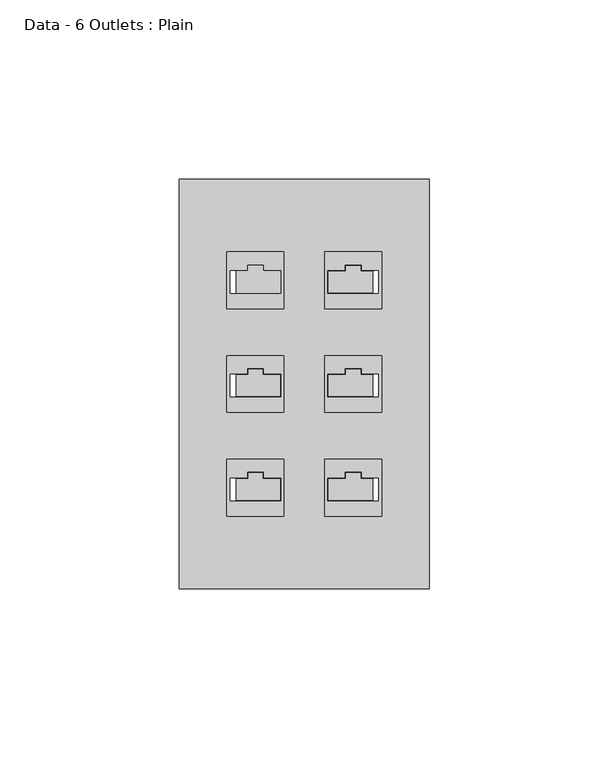
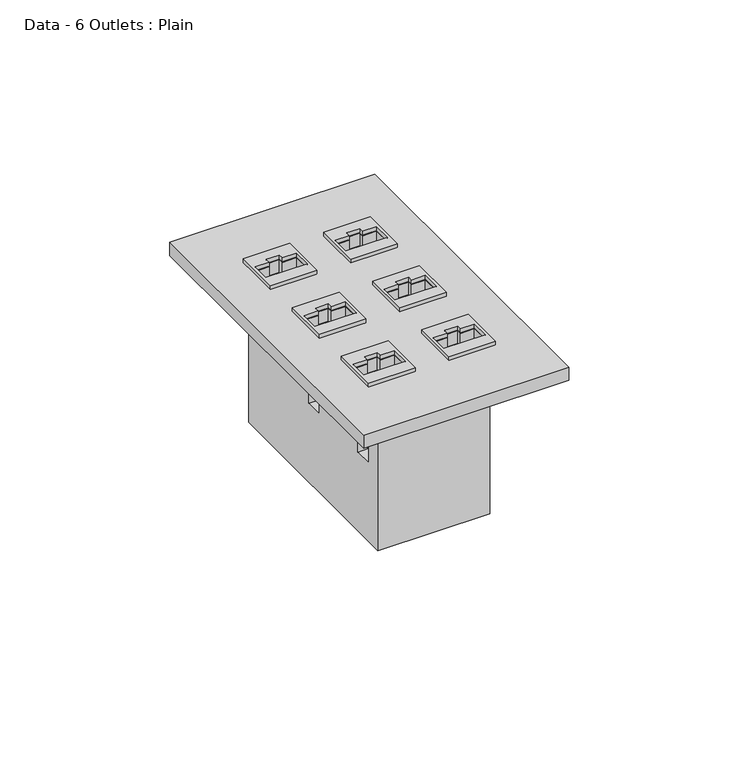
"""IFC4 building model written with IfcOpenShell, lengths in millimetres: electric appliance geometry, Data - 6 Outlets : Plain."""

import ifcopenshell
import ifcopenshell.guid

model = None  # the IFC model being written
_history = None  # IfcOwnerHistory: only IFC2X3 demands one
_inside = {}  # id of a spatial element -> (the spatial element, [elements in it])
_under = {}  # id of a project, library or spatial element -> (it, [spatial elements below it])
_declared = {}  # id of a project -> (the project, [libraries it declares])
_typed = {}  # id of a type object -> (the type object, [elements of that type])
_made_of = {}  # id of a material, layer set ... -> (it, [elements and type objects made of it])


def new_model(schema):
    """Start an empty IFC model of exactly this schema.

    Asked for "IFC4X3", IfcOpenShell would pick the latest addendum, in which some entities
    have other attributes; the version numbers below select the first issue.
    IFC2X3 requires an IfcOwnerHistory on every rooted entity: one is made here for all.
    """
    global model, _history
    if schema == "IFC4X3":
        model = ifcopenshell.file(schema_version=(4, 3, 0, 0))
    else:
        model = ifcopenshell.file(schema=schema)
    _inside.clear()
    _under.clear()
    _declared.clear()
    _typed.clear()
    _made_of.clear()
    _history = None
    if model.schema == "IFC2X3":
        org = make("IfcOrganization", Name="unknown")
        user = make(
            "IfcPersonAndOrganization",
            ThePerson=make("IfcPerson", FamilyName="unknown"),
            TheOrganization=org,
        )
        app = make(
            "IfcApplication",
            ApplicationDeveloper=org,
            Version="unknown",
            ApplicationFullName="unknown",
            ApplicationIdentifier="unknown",
        )
        _history = make(
            "IfcOwnerHistory",
            OwningUser=user,
            OwningApplication=app,
            ChangeAction="ADDED",
            CreationDate=0,
        )
    return model


def make(cls, **values):
    """One entity of the class cls with the attributes given. An attribute that is None is left unset."""
    return model.create_entity(
        cls, **{name: value for name, value in values.items() if value is not None}
    )


def rooted(cls, **values):
    """An entity with a GlobalId (a new one), such as an element, a storey or a relation."""
    return make(cls, GlobalId=ifcopenshell.guid.new(), OwnerHistory=_history, **values)


def si_unit(unit_type, name, prefix=None):
    """IfcSIUnit, for example si_unit("LENGTHUNIT", "METRE", prefix="MILLI")."""
    return make("IfcSIUnit", UnitType=unit_type, Prefix=prefix, Name=name)


def assignment(units):
    """IfcUnitAssignment: the units of a project."""
    return None if units is None else make("IfcUnitAssignment", Units=units)


def point(xyz):
    """IfcCartesianPoint."""
    return None if xyz is None else make("IfcCartesianPoint", Coordinates=xyz)


def direction(xyz):
    """IfcDirection."""
    return None if xyz is None else make("IfcDirection", DirectionRatios=xyz)


def frame(location, z_axis=None, x_axis=None):
    """IfcAxis2Placement3D, a coordinate frame: its origin and axes. An axis left out is left unset."""
    return make(
        "IfcAxis2Placement3D",
        Location=point(location),
        Axis=direction(z_axis),
        RefDirection=direction(x_axis),
    )


def origin():
    """The frame at (0, 0, 0) with its axes left unset."""
    return frame((0.0, 0.0, 0.0))


def origin_with_axes():
    """The frame at (0, 0, 0) with the z axis (0, 0, 1) and the x axis (1, 0, 0) written out."""
    return frame((0.0, 0.0, 0.0), z_axis=(0.0, 0.0, 1.0), x_axis=(1.0, 0.0, 0.0))


def place(relative_to, where):
    """IfcLocalPlacement: puts the frame where relative to a parent placement (None: the world)."""
    return make(
        "IfcLocalPlacement", PlacementRelTo=relative_to, RelativePlacement=where
    )


def context(
    kind, dimensions, precision=None, world=None, true_north=None, identifier=None
):
    """IfcGeometricRepresentationContext, for example the 3D "Model" context."""
    return make(
        "IfcGeometricRepresentationContext",
        ContextIdentifier=identifier,
        ContextType=kind,
        CoordinateSpaceDimension=dimensions,
        Precision=precision,
        WorldCoordinateSystem=world,
        TrueNorth=true_north,
    )


def project(units=None, contexts=None):
    """IfcProject with its units and contexts."""
    return rooted(
        "IfcProject",
        Name="project",
        RepresentationContexts=contexts,
        UnitsInContext=assignment(units),
    )


def spatial(cls, under=None, at=None, **own):
    """A site, building, storey or space (cls), placed at a placement, below another one or the project."""
    s = rooted(cls, ObjectPlacement=at, **own)
    if under is not None:
        _under.setdefault(under.id(), (under, []))[1].append(s)
    return s


def polyline(points):
    """IfcPolyline through the points."""
    return make("IfcPolyline", Points=[point(p) for p in points])


def outline(outer, holes=None, kind="AREA"):
    """IfcArbitraryClosedProfileDef: a profile drawn as a closed curve; with holes, ...WithVoids."""
    if holes is None:
        return make("IfcArbitraryClosedProfileDef", ProfileType=kind, OuterCurve=outer)
    return make(
        "IfcArbitraryProfileDefWithVoids",
        ProfileType=kind,
        OuterCurve=outer,
        InnerCurves=holes,
    )


def extrude(swept, where, along, depth):
    """IfcExtrudedAreaSolid: the profile swept, set in the frame where, extruded along a direction by depth."""
    return make(
        "IfcExtrudedAreaSolid",
        SweptArea=swept,
        Position=where,
        ExtrudedDirection=direction(along),
        Depth=depth,
    )


def faces_of(points, faces, orient=None, outer=None):
    """IfcFace entities. A face is a list of loops; a loop is a list of indices into points, from 0.

    orient and outer hold one flag for each loop. By default every Orientation is true, the
    first loop of a face is its IfcFaceOuterBound and the others are IfcFaceBound.
    """
    made = []
    for i, loops in enumerate(faces):
        bounds = []
        for j, loop in enumerate(loops):
            is_outer = j == 0 if outer is None else outer[i][j]
            bounds.append(
                make(
                    "IfcFaceOuterBound" if is_outer else "IfcFaceBound",
                    Bound=make("IfcPolyLoop", Polygon=[points[k] for k in loop]),
                    Orientation=True if orient is None else orient[i][j],
                )
            )
        made.append(make("IfcFace", Bounds=bounds))
    return made


def faceted_brep(points, faces, orient=None, outer=None, voids=None):
    """IfcFacetedBrep: a solid bounded by flat faces; with voids (closed shells), ...WithVoids."""
    shared = [point(p) for p in points]
    hull = make("IfcClosedShell", CfsFaces=faces_of(shared, faces, orient, outer))
    if voids is None:
        return make("IfcFacetedBrep", Outer=hull)
    return make(
        "IfcFacetedBrepWithVoids",
        Outer=hull,
        Voids=[
            make(cls, CfsFaces=faces_of(shared, fs, o, b)) for cls, fs, o, b in voids
        ],
    )


def shape(context_of_items, identifier, shape_type, items):
    """IfcShapeRepresentation: the items that make up one representation, for example the "Body"."""
    return make(
        "IfcShapeRepresentation",
        ContextOfItems=context_of_items,
        RepresentationIdentifier=identifier,
        RepresentationType=shape_type,
        Items=items,
    )


def source(mapping_origin, context_of_items, identifier, shape_type, items):
    """IfcRepresentationMap: a shape defined once, which mapped items show again and again."""
    return make(
        "IfcRepresentationMap",
        MappingOrigin=mapping_origin,
        MappedRepresentation=shape(context_of_items, identifier, shape_type, items),
    )


def transform(
    local_origin,
    x_axis=None,
    y_axis=None,
    z_axis=None,
    scale=None,
    scale2=None,
    scale3=None,
    uniform=True,
):
    """IfcCartesianTransformationOperator3D, or its non-uniform kind. x_axis, y_axis, z_axis: its Axis1, 2, 3."""
    if uniform:
        return make(
            "IfcCartesianTransformationOperator3D",
            Axis1=direction(x_axis),
            Axis2=direction(y_axis),
            LocalOrigin=point(local_origin),
            Scale=scale,
            Axis3=direction(z_axis),
        )
    return make(
        "IfcCartesianTransformationOperator3DnonUniform",
        Axis1=direction(x_axis),
        Axis2=direction(y_axis),
        LocalOrigin=point(local_origin),
        Scale=scale,
        Axis3=direction(z_axis),
        Scale2=scale2,
        Scale3=scale3,
    )


def mapped(mapping_source, mapping_target):
    """IfcMappedItem: shows the shape of a source again, moved by a transform."""
    return make(
        "IfcMappedItem", MappingSource=mapping_source, MappingTarget=mapping_target
    )


def made_of(thing, what):
    """Note that an element or type object is made of a material, layer set ...; save() writes the relation."""
    if what is not None:
        _made_of.setdefault(what.id(), (what, []))[1].append(thing)
    return thing


def element(
    cls,
    number,
    at=None,
    inside=None,
    cuts=None,
    type_object=None,
    material=None,
    context=None,
    identifier="Body",
    shape_type=None,
    held_by="IfcProductDefinitionShape",
    body=None,
    shapes=None,
    **own,
):
    """One element of the class cls, such as IfcWall. Its Tag is "e" and its number.

    at: its placement. inside: the storey or other place that contains it. cuts: it is an
    opening in that element (IfcRelVoidsElement). A single representation is given by context,
    identifier, shape_type and body (its items); several are given by shapes. held_by: the class
    of the entity that holds the representations. save() writes the other relations.
    """
    e = rooted(cls, Tag="e%d" % number, ObjectPlacement=at, **own)
    if body is not None:
        shapes = [shape(context, identifier, shape_type, body)]
    if shapes is not None:
        e.Representation = make(held_by, Representations=shapes)
    if inside is not None:
        _inside.setdefault(inside.id(), (inside, []))[1].append(e)
    if cuts is not None:
        rooted(
            "IfcRelVoidsElement", RelatingBuildingElement=cuts, RelatedOpeningElement=e
        )
    if type_object is not None:
        _typed.setdefault(type_object.id(), (type_object, []))[1].append(e)
    return made_of(e, material)


def aggregate(whole, parts):
    """IfcRelAggregates: a whole, such as a stair, and the parts it consists of."""
    return rooted("IfcRelAggregates", RelatingObject=whole, RelatedObjects=parts)


def save(model, path):
    """Write the relations noted so far, then the file.

    IfcRelAggregates (storeys below a building ...), IfcRelContainedInSpatialStructure (elements
    in a storey), IfcRelDefinesByType, IfcRelAssociatesMaterial and IfcRelDeclares: one each for
    every whole, place, type object, material and project.
    """
    for whole, parts in _under.values():
        aggregate(whole, parts)
    for where, things in _inside.values():
        rooted(
            "IfcRelContainedInSpatialStructure",
            RelatedElements=things,
            RelatingStructure=where,
        )
    for kind, things in _typed.values():
        rooted("IfcRelDefinesByType", RelatedObjects=things, RelatingType=kind)
    for what, things in _made_of.values():
        rooted("IfcRelAssociatesMaterial", RelatedObjects=things, RelatingMaterial=what)
    for by, libraries in _declared.values():
        rooted("IfcRelDeclares", RelatingContext=by, RelatedDefinitions=libraries)
    model.write(path)


def data_6_outlets_plain_06024a50(model_context):
    return source(origin(), model_context, "Body", "SolidModel", [
        faceted_brep([(6.5887405, 31.5943927, -25.6475168), (11.4485466, 31.5943927, -25.6475168), (11.4485466, 31.5943927, 0.0), (6.5887405, 31.5943927, 0.0), (11.4485466, 33.1818927, -25.6475168), (11.4485466, 33.1818927, 0.0), (15.8337141, 33.1818927, -25.6475168), (15.8337141, 33.1818927, 0.0), (15.8337141, 31.5943927, -25.6475168), (15.8337141, 31.5943927, 0.0), (19.05, 31.5943927, -25.6475168), (19.05, 31.5943927, 0.0), (19.05, 25.2900552, -25.6475168), (6.5887405, 25.2900552, -25.6475168), (6.5887405, 25.2900552, 0.0), (19.05, 25.2900552, 0.0), (-11.4485466, 2.6725887, -25.6475168), (-6.5887405, 2.6725887, -25.6475168), (-6.5887405, 2.6725887, 0.0), (-11.4485466, 2.6725887, 0.0), (-11.4485466, 4.2600887, -25.6475168), (-11.4485466, 4.2600887, 0.0), (-15.8337141, 4.2600887, -25.6475168), (-15.8337141, 4.2600887, 0.0), (-15.8337141, 2.6725887, -25.6475168), (-15.8337141, 2.6725887, 0.0), (-19.05, 2.6725887, -25.6475168), (-19.05, 2.6725887, 0.0), (-6.5887405, -3.6317489, -25.6475168), (-19.05, -3.6317489, -25.6475168), (-19.05, -3.6317489, 0.0), (-6.5887405, -3.6317489, 0.0), (6.5887405, -3.6317489, -25.6475168), (6.5887405, 2.6725887, -25.6475168), (6.5887405, 2.6725887, 0.0), (6.5887405, -3.6317489, 0.0), (19.05, -3.6317489, -25.6475168), (19.05, -3.6317489, 0.0), (15.8337141, 2.6725887, -25.6475168), (19.05, 2.6725887, -25.6475168), (19.05, 2.6725887, 0.0), (15.8337141, 2.6725887, 0.0), (15.8337141, 4.2600887, -25.6475168), (15.8337141, 4.2600887, 0.0), (11.4485466, 4.2600887, -25.6475168), (11.4485466, 4.2600887, 0.0), (11.4485466, 2.6725887, -25.6475168), (11.4485466, 2.6725887, 0.0), (-11.4485466, -26.2492154, -25.6475168), (-6.5887405, -26.2492154, -25.6475168), (-6.5887405, -26.2492154, 0.0), (-11.4485466, -26.2492154, 0.0), (-11.4485466, -24.6617154, -25.6475168), (-11.4485466, -24.6617154, 0.0), (-15.8337141, -24.6617154, -25.6475168), (-15.8337141, -24.6617154, 0.0), (-15.8337141, -26.2492154, -25.6475168), (-15.8337141, -26.2492154, 0.0), (-19.05, -26.2492154, -25.6475168), (-19.05, -26.2492154, 0.0), (-6.5887405, -32.5535529, -25.6475168), (-19.05, -32.5535529, -25.6475168), (-19.05, -32.5535529, 0.0), (-6.5887405, -32.5535529, 0.0), (6.5887405, -32.5535529, -25.6475168), (6.5887405, -26.2492154, -25.6475168), (6.5887405, -26.2492154, 0.0), (6.5887405, -32.5535529, 0.0), (19.05, -32.5535529, -25.6475168), (19.05, -32.5535529, 0.0), (15.8337141, -26.2492154, -25.6475168), (19.05, -26.2492154, -25.6475168), (19.05, -26.2492154, 0.0), (15.8337141, -26.2492154, 0.0), (15.8337141, -24.6617154, -25.6475168), (15.8337141, -24.6617154, 0.0), (11.4485466, -24.6617154, -25.6475168), (11.4485466, -24.6617154, 0.0), (11.4485466, -26.2492154, -25.6475168), (11.4485466, -26.2492154, 0.0), (19.05, 38.1, 0.0), (-19.05, 38.1, 0.0), (-19.05, -38.1, 0.0), (19.05, -38.1, 0.0), (19.05, 38.1, -53.975), (19.05, -38.1, -53.975), (-19.05, -38.1, -53.975), (-19.05, 38.1, -53.975)], [[[0, 1, 2, 3]], [[1, 4, 5, 2]], [[4, 6, 7, 5]], [[6, 8, 9, 7]], [[8, 10, 11, 9]], [[12, 13, 14, 15]], [[13, 0, 3, 14]], [[16, 17, 18, 19]], [[20, 16, 19, 21]], [[22, 20, 21, 23]], [[24, 22, 23, 25]], [[26, 24, 25, 27]], [[28, 29, 30, 31]], [[17, 28, 31, 18]], [[32, 33, 34, 35]], [[36, 32, 35, 37]], [[38, 39, 40, 41]], [[42, 38, 41, 43]], [[44, 42, 43, 45]], [[46, 44, 45, 47]], [[33, 46, 47, 34]], [[48, 49, 50, 51]], [[52, 48, 51, 53]], [[54, 52, 53, 55]], [[56, 54, 55, 57]], [[58, 56, 57, 59]], [[60, 61, 62, 63]], [[49, 60, 63, 50]], [[64, 65, 66, 67]], [[68, 64, 67, 69]], [[70, 71, 72, 73]], [[74, 70, 73, 75]], [[76, 74, 75, 77]], [[78, 76, 77, 79]], [[65, 78, 79, 66]], [[80, 81, 27, 25, 23, 21, 19, 18, 31, 30, 59, 57, 55, 53, 51, 50, 63, 62, 82, 83, 69, 67, 66, 79, 77, 75, 73, 72, 37, 35, 34, 47, 45, 43, 41, 40, 15, 14, 3, 2, 5, 7, 9, 11]], [[84, 85, 86, 87]], [[81, 80, 84, 87]], [[87, 86, 82, 62, 61, 58, 59, 30, 29, 26, 27, 81]], [[83, 82, 86, 85]], [[85, 84, 80, 11, 10, 12, 15, 40, 39, 36, 37, 72, 71, 68, 69, 83]], [[0, 13, 12, 10, 8, 6, 4, 1]], [[17, 16, 20, 22, 24, 26, 29, 28]], [[33, 32, 36, 39, 38, 42, 44, 46]], [[49, 48, 52, 54, 56, 58, 61, 60]], [[65, 64, 68, 71, 70, 74, 76, 78]]]),
        extrude(outline(polyline([(34.925, 57.15), (34.925, -57.15), (-34.925, -57.15), (-34.925, 57.15), (34.925, 57.15)]), holes=[polyline([(-6.5887405, 31.5943927), (-11.4485466, 31.5943927), (-11.4485466, 33.1818927), (-15.8337141, 33.1818927), (-15.8337141, 31.5943927), (-20.6336946, 31.5943927), (-20.6336946, 25.2900552), (-6.5887405, 25.2900552), (-6.5887405, 31.5943927)]), polyline([(11.4485466, 31.5943927), (6.5887405, 31.5943927), (6.5887405, 25.2900552), (20.6336946, 25.2900552), (20.6336946, 31.5943927), (15.8337141, 31.5943927), (15.8337141, 33.1818927), (11.4485466, 33.1818927), (11.4485466, 31.5943927)]), polyline([(-6.5887405, 2.6725887), (-11.4485466, 2.6725887), (-11.4485466, 4.2600887), (-15.8337141, 4.2600887), (-15.8337141, 2.6725887), (-20.6336946, 2.6725887), (-20.6336946, -3.6317489), (-6.5887405, -3.6317489), (-6.5887405, 2.6725887)]), polyline([(6.5887405, 2.6725887), (6.5887405, -3.6317489), (20.6336946, -3.6317489), (20.6336946, 2.6725887), (15.8337141, 2.6725887), (15.8337141, 4.2600887), (11.4485466, 4.2600887), (11.4485466, 2.6725887), (6.5887405, 2.6725887)]), polyline([(-6.5887405, -26.2492154), (-11.4485466, -26.2492154), (-11.4485466, -24.6617154), (-15.8337141, -24.6617154), (-15.8337141, -26.2492154), (-20.6336946, -26.2492154), (-20.6336946, -32.5535529), (-6.5887405, -32.5535529), (-6.5887405, -26.2492154)]), polyline([(6.5887405, -26.2492154), (6.5887405, -32.5535529), (20.6336946, -32.5535529), (20.6336946, -26.2492154), (15.8337141, -26.2492154), (15.8337141, -24.6617154), (11.4485466, -24.6617154), (11.4485466, -26.2492154), (6.5887405, -26.2492154)])]), origin_with_axes(), (0.0, 0.0, 1.0), 4.7625),
        extrude(outline(polyline([(21.6013392, -20.984304), (21.6013392, -36.859304), (5.7263392, -36.859304), (5.7263392, -20.984304), (21.6013392, -20.984304)]), holes=[polyline([(6.5887405, -26.2492154), (6.5887405, -32.5535529), (20.6336946, -32.5535529), (20.6336946, -26.2492154), (15.8337141, -26.2492154), (15.8337141, -24.6617154), (11.4485466, -24.6617154), (11.4485466, -26.2492154), (6.5887405, -26.2492154)])]), frame((0.0, 0.0, 0.1002738), z_axis=(0.0, 0.0, 1.0), x_axis=(1.0, 0.0, 0.0)), (0.0, 0.0, 1.0), 6.35),
        extrude(outline(polyline([(-21.6013392, -20.984304), (-5.7263392, -20.984304), (-5.7263392, -36.859304), (-21.6013392, -36.859304), (-21.6013392, -20.984304)]), holes=[polyline([(-6.5887405, -26.2492154), (-11.4485466, -26.2492154), (-11.4485466, -24.6617154), (-15.8337141, -24.6617154), (-15.8337141, -26.2492154), (-20.6336946, -26.2492154), (-20.6336946, -32.5535529), (-6.5887405, -32.5535529), (-6.5887405, -26.2492154)])]), frame((0.0, 0.0, 0.1002738), z_axis=(0.0, 0.0, 1.0), x_axis=(1.0, 0.0, 0.0)), (0.0, 0.0, 1.0), 6.35),
        extrude(outline(polyline([(21.6013392, 7.9375), (21.6013392, -7.9375), (5.7263392, -7.9375), (5.7263392, 7.9375), (21.6013392, 7.9375)]), holes=[polyline([(6.5887405, 2.6725887), (6.5887405, -3.6317489), (20.6336946, -3.6317489), (20.6336946, 2.6725887), (15.8337141, 2.6725887), (15.8337141, 4.2600887), (11.4485466, 4.2600887), (11.4485466, 2.6725887), (6.5887405, 2.6725887)])]), frame((0.0, 0.0, 0.1002738), z_axis=(0.0, 0.0, 1.0), x_axis=(1.0, 0.0, 0.0)), (0.0, 0.0, 1.0), 6.35),
        extrude(outline(polyline([(-21.6013392, 7.9375), (-5.7263392, 7.9375), (-5.7263392, -7.9375), (-21.6013392, -7.9375), (-21.6013392, 7.9375)]), holes=[polyline([(-6.5887405, 2.6725887), (-11.4485466, 2.6725887), (-11.4485466, 4.2600887), (-15.8337141, 4.2600887), (-15.8337141, 2.6725887), (-20.6336946, 2.6725887), (-20.6336946, -3.6317489), (-6.5887405, -3.6317489), (-6.5887405, 2.6725887)])]), frame((0.0, 0.0, 0.1002738), z_axis=(0.0, 0.0, 1.0), x_axis=(1.0, 0.0, 0.0)), (0.0, 0.0, 1.0), 6.35),
        extrude(outline(polyline([(21.6013392, 36.859304), (21.6013392, 20.984304), (5.7263392, 20.984304), (5.7263392, 36.859304), (21.6013392, 36.859304)]), holes=[polyline([(11.4485466, 31.5943927), (6.5887405, 31.5943927), (6.5887405, 25.2900552), (20.6336946, 25.2900552), (20.6336946, 31.5943927), (15.8337141, 31.5943927), (15.8337141, 33.1818927), (11.4485466, 33.1818927), (11.4485466, 31.5943927)])]), frame((0.0, 0.0, 0.1002738), z_axis=(0.0, 0.0, 1.0), x_axis=(1.0, 0.0, 0.0)), (0.0, 0.0, 1.0), 6.35),
        extrude(outline(polyline([(-21.6013392, 36.859304), (-5.7263392, 36.859304), (-5.7263392, 20.984304), (-21.6013392, 20.984304), (-21.6013392, 36.859304)]), holes=[polyline([(-6.5887405, 31.5943927), (-11.4485466, 31.5943927), (-11.4485466, 33.1818927), (-15.8337141, 33.1818927), (-15.8337141, 31.5943927), (-20.6336946, 31.5943927), (-20.6336946, 25.2900552), (-6.5887405, 25.2900552), (-6.5887405, 31.5943927)])]), frame((0.0, 0.0, 0.1002738), z_axis=(0.0, 0.0, 1.0), x_axis=(1.0, 0.0, 0.0)), (0.0, 0.0, 1.0), 6.35),
    ])


if __name__ == "__main__":
    model = new_model("IFC4")
    model_context = context("Model", 3, world=origin())
    ifc_project = project(units=[si_unit("LENGTHUNIT", "METRE", prefix="MILLI")], contexts=[model_context])
    site = spatial("IfcSite", under=ifc_project)
    building = spatial("IfcBuilding", under=site)
    placement = place(None, origin())
    data_6_outlets_plain_shape = data_6_outlets_plain_06024a50(model_context)
    element("IfcElectricAppliance", 1, ObjectType="Data - 6 Outlets : Plain", at=placement, inside=building, context=model_context, shape_type="MappedRepresentation", body=[
        mapped(data_6_outlets_plain_shape, transform((0.0, 0.0, 0.0), x_axis=(1.0, 0.0, 0.0), y_axis=(0.0, 1.0, 0.0), z_axis=(0.0, 0.0, 1.0))),
    ])
    save(model, "model.ifc")
